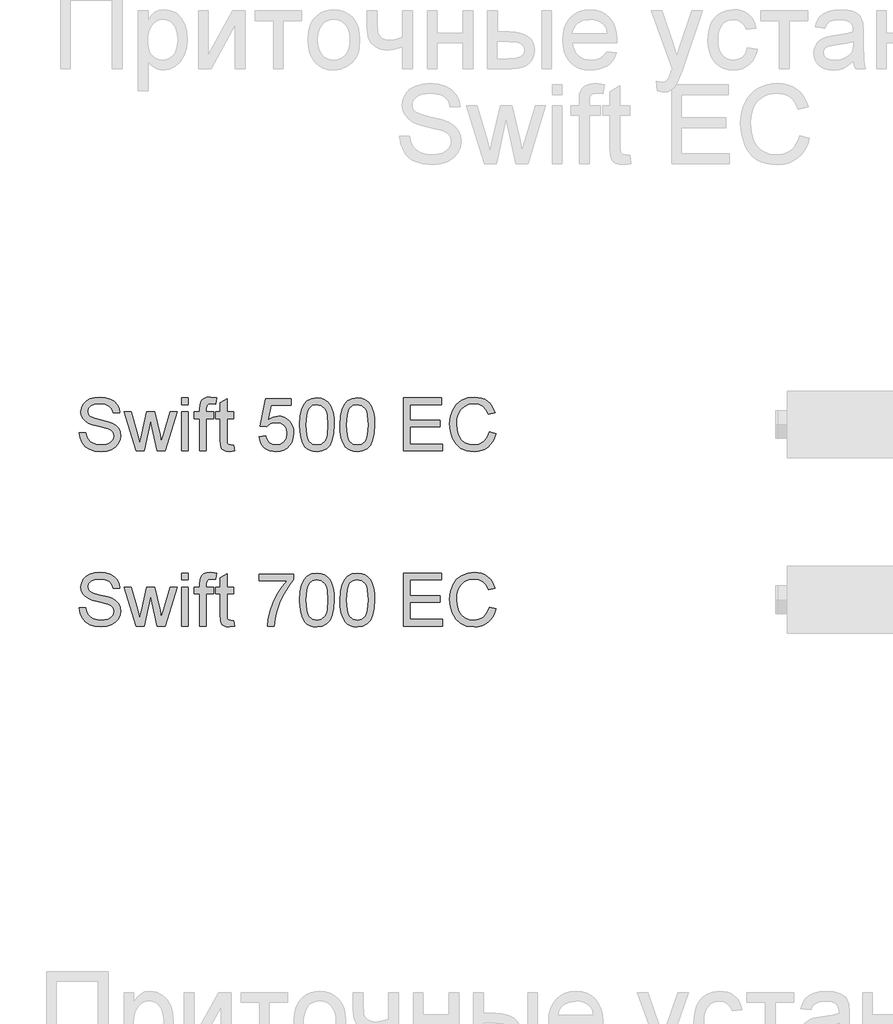
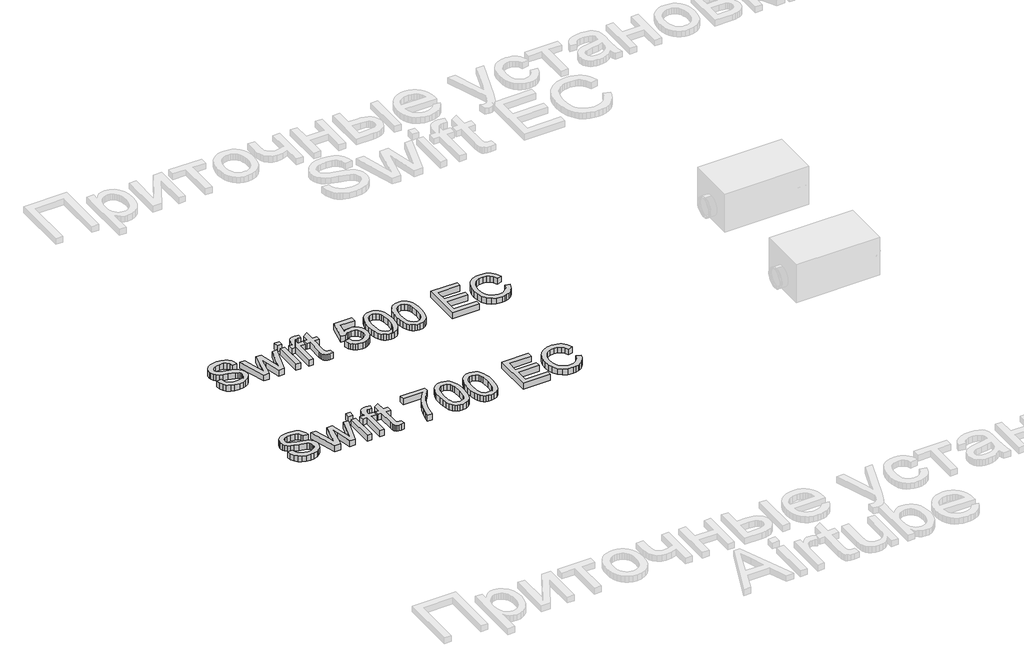
# One storey, part 33 of 74: 2 proxies.
"""IFC4 building model written with IfcOpenShell, lengths in millimetres."""

import ifcopenshell
import ifcopenshell.guid

model = None  # the IFC model being written
_history = None  # IfcOwnerHistory: only IFC2X3 demands one
_inside = {}  # id of a spatial element -> (the spatial element, [elements in it])
_under = {}  # id of a project, library or spatial element -> (it, [spatial elements below it])
_declared = {}  # id of a project -> (the project, [libraries it declares])
_typed = {}  # id of a type object -> (the type object, [elements of that type])
_made_of = {}  # id of a material, layer set ... -> (it, [elements and type objects made of it])


def new_model(schema):
    """Start an empty IFC model of exactly this schema.

    Asked for "IFC4X3", IfcOpenShell would pick the latest addendum, in which some entities
    have other attributes; the version numbers below select the first issue.
    IFC2X3 requires an IfcOwnerHistory on every rooted entity: one is made here for all.
    """
    global model, _history
    if schema == "IFC4X3":
        model = ifcopenshell.file(schema_version=(4, 3, 0, 0))
    else:
        model = ifcopenshell.file(schema=schema)
    _inside.clear()
    _under.clear()
    _declared.clear()
    _typed.clear()
    _made_of.clear()
    _history = None
    if model.schema == "IFC2X3":
        org = make("IfcOrganization", Name="unknown")
        user = make(
            "IfcPersonAndOrganization",
            ThePerson=make("IfcPerson", FamilyName="unknown"),
            TheOrganization=org,
        )
        app = make(
            "IfcApplication",
            ApplicationDeveloper=org,
            Version="unknown",
            ApplicationFullName="unknown",
            ApplicationIdentifier="unknown",
        )
        _history = make(
            "IfcOwnerHistory",
            OwningUser=user,
            OwningApplication=app,
            ChangeAction="ADDED",
            CreationDate=0,
        )
    return model


def make(cls, **values):
    """One entity of the class cls with the attributes given. An attribute that is None is left unset."""
    return model.create_entity(
        cls, **{name: value for name, value in values.items() if value is not None}
    )


def rooted(cls, **values):
    """An entity with a GlobalId (a new one), such as an element, a storey or a relation."""
    return make(cls, GlobalId=ifcopenshell.guid.new(), OwnerHistory=_history, **values)


def si_unit(unit_type, name, prefix=None):
    """IfcSIUnit, for example si_unit("LENGTHUNIT", "METRE", prefix="MILLI")."""
    return make("IfcSIUnit", UnitType=unit_type, Prefix=prefix, Name=name)


def assignment(units):
    """IfcUnitAssignment: the units of a project."""
    return None if units is None else make("IfcUnitAssignment", Units=units)


def point(xyz):
    """IfcCartesianPoint."""
    return None if xyz is None else make("IfcCartesianPoint", Coordinates=xyz)


def direction(xyz):
    """IfcDirection."""
    return None if xyz is None else make("IfcDirection", DirectionRatios=xyz)


def frame(location, z_axis=None, x_axis=None):
    """IfcAxis2Placement3D, a coordinate frame: its origin and axes. An axis left out is left unset."""
    return make(
        "IfcAxis2Placement3D",
        Location=point(location),
        Axis=direction(z_axis),
        RefDirection=direction(x_axis),
    )


def origin():
    """The frame at (0, 0, 0) with its axes left unset."""
    return frame((0.0, 0.0, 0.0))


def origin_with_axes():
    """The frame at (0, 0, 0) with the z axis (0, 0, 1) and the x axis (1, 0, 0) written out."""
    return frame((0.0, 0.0, 0.0), z_axis=(0.0, 0.0, 1.0), x_axis=(1.0, 0.0, 0.0))


def place(relative_to, where):
    """IfcLocalPlacement: puts the frame where relative to a parent placement (None: the world)."""
    return make(
        "IfcLocalPlacement", PlacementRelTo=relative_to, RelativePlacement=where
    )


def context(
    kind, dimensions, precision=None, world=None, true_north=None, identifier=None
):
    """IfcGeometricRepresentationContext, for example the 3D "Model" context."""
    return make(
        "IfcGeometricRepresentationContext",
        ContextIdentifier=identifier,
        ContextType=kind,
        CoordinateSpaceDimension=dimensions,
        Precision=precision,
        WorldCoordinateSystem=world,
        TrueNorth=true_north,
    )


def project(units=None, contexts=None):
    """IfcProject with its units and contexts."""
    return rooted(
        "IfcProject",
        Name="project",
        RepresentationContexts=contexts,
        UnitsInContext=assignment(units),
    )


def spatial(cls, under=None, at=None, **own):
    """A site, building, storey or space (cls), placed at a placement, below another one or the project."""
    s = rooted(cls, ObjectPlacement=at, **own)
    if under is not None:
        _under.setdefault(under.id(), (under, []))[1].append(s)
    return s


def polyline(points):
    """IfcPolyline through the points."""
    return make("IfcPolyline", Points=[point(p) for p in points])


def outline(outer, holes=None, kind="AREA"):
    """IfcArbitraryClosedProfileDef: a profile drawn as a closed curve; with holes, ...WithVoids."""
    if holes is None:
        return make("IfcArbitraryClosedProfileDef", ProfileType=kind, OuterCurve=outer)
    return make(
        "IfcArbitraryProfileDefWithVoids",
        ProfileType=kind,
        OuterCurve=outer,
        InnerCurves=holes,
    )


def extrude(swept, where, along, depth):
    """IfcExtrudedAreaSolid: the profile swept, set in the frame where, extruded along a direction by depth."""
    return make(
        "IfcExtrudedAreaSolid",
        SweptArea=swept,
        Position=where,
        ExtrudedDirection=direction(along),
        Depth=depth,
    )


def shape(context_of_items, identifier, shape_type, items):
    """IfcShapeRepresentation: the items that make up one representation, for example the "Body"."""
    return make(
        "IfcShapeRepresentation",
        ContextOfItems=context_of_items,
        RepresentationIdentifier=identifier,
        RepresentationType=shape_type,
        Items=items,
    )


def made_of(thing, what):
    """Note that an element or type object is made of a material, layer set ...; save() writes the relation."""
    if what is not None:
        _made_of.setdefault(what.id(), (what, []))[1].append(thing)
    return thing


def element(
    cls,
    number,
    at=None,
    inside=None,
    cuts=None,
    type_object=None,
    material=None,
    context=None,
    identifier="Body",
    shape_type=None,
    held_by="IfcProductDefinitionShape",
    body=None,
    shapes=None,
    **own,
):
    """One element of the class cls, such as IfcWall. Its Tag is "e" and its number.

    at: its placement. inside: the storey or other place that contains it. cuts: it is an
    opening in that element (IfcRelVoidsElement). A single representation is given by context,
    identifier, shape_type and body (its items); several are given by shapes. held_by: the class
    of the entity that holds the representations. save() writes the other relations.
    """
    e = rooted(cls, Tag="e%d" % number, ObjectPlacement=at, **own)
    if body is not None:
        shapes = [shape(context, identifier, shape_type, body)]
    if shapes is not None:
        e.Representation = make(held_by, Representations=shapes)
    if inside is not None:
        _inside.setdefault(inside.id(), (inside, []))[1].append(e)
    if cuts is not None:
        rooted(
            "IfcRelVoidsElement", RelatingBuildingElement=cuts, RelatedOpeningElement=e
        )
    if type_object is not None:
        _typed.setdefault(type_object.id(), (type_object, []))[1].append(e)
    return made_of(e, material)


def aggregate(whole, parts):
    """IfcRelAggregates: a whole, such as a stair, and the parts it consists of."""
    return rooted("IfcRelAggregates", RelatingObject=whole, RelatedObjects=parts)


def save(model, path):
    """Write the relations noted so far, then the file.

    IfcRelAggregates (storeys below a building ...), IfcRelContainedInSpatialStructure (elements
    in a storey), IfcRelDefinesByType, IfcRelAssociatesMaterial and IfcRelDeclares: one each for
    every whole, place, type object, material and project.
    """
    for whole, parts in _under.values():
        aggregate(whole, parts)
    for where, things in _inside.values():
        rooted(
            "IfcRelContainedInSpatialStructure",
            RelatedElements=things,
            RelatingStructure=where,
        )
    for kind, things in _typed.values():
        rooted("IfcRelDefinesByType", RelatedObjects=things, RelatingType=kind)
    for what, things in _made_of.values():
        rooted("IfcRelAssociatesMaterial", RelatedObjects=things, RelatingMaterial=what)
    for by, libraries in _declared.values():
        rooted("IfcRelDeclares", RelatingContext=by, RelatedDefinitions=libraries)
    model.write(path)


model = new_model("IFC4")

# Units and contexts
model_context = context("Model", 3, world=origin())
ifc_project = project(units=[si_unit("LENGTHUNIT", "METRE", prefix="MILLI")], contexts=[model_context])

# Site, building, storey
site = spatial("IfcSite", under=ifc_project)
building = spatial("IfcBuilding", under=site)
storey = spatial("IfcBuildingStorey", under=building, Elevation=0.0)

# Proxies
placement = place(None, origin())
element("IfcBuildingElementProxy", 1, Name="Generic Models", at=placement, inside=storey, context=model_context, shape_type="SweptSolid", body=[
    extrude(outline(polyline([(219.0140567, -3802.6948775), (256.685173, -3802.6948775), (261.0077865, -3823.5997719), (268.8252789, -3840.402782), (281.020567, -3853.7385043), (298.4765677, -3864.2415353), (319.8137234, -3871.0565493), (343.6524767, -3873.3282206), (364.6401445, -3871.6083722), (383.0158502, -3866.4488273), (397.9058739, -3858.281847), (408.436496, -3847.5396927), (414.699687, -3835.2064488), (416.7874173, -3822.2661996), (415.2239189, -3809.6570443), (410.5334234, -3798.7585402), (401.0052797, -3789.4603227), (384.9288366, -3781.6520274), (330.0776311, -3767.2678414), (294.0711808, -3757.7488947), (271.0325708, -3748.6898006), (252.2797861, -3736.0162659), (238.9900491, -3720.6571926), (231.0713891, -3702.9436745), (228.4318358, -3683.2068055), (231.6967885, -3661.1430828), (241.4916466, -3640.5692822), (257.5588928, -3623.1316757), (279.6410095, -3610.476535), (306.1469073, -3602.7786043), (335.4854964, -3600.2126274), (367.2705008, -3602.8981659), (395.0823796, -3610.9547816), (417.9278515, -3624.2169275), (434.8136351, -3642.5190568), (445.5006071, -3664.7207352), (449.7496441, -3689.6815286), (412.0785278, -3689.6815286), (405.1623463, -3667.2039387), (390.7413721, -3650.9803427), (368.2085999, -3641.1578934), (336.9570244, -3637.8837437), (304.9696849, -3641.1211052), (283.0255239, -3650.8331899), (270.3335951, -3665.1254054), (266.1029521, -3682.1031595), (269.1011904, -3696.579316), (278.0959052, -3708.2227811), (299.3594845, -3718.6338416), (339.6057747, -3729.2656313), (381.139652, -3739.363992), (406.2659923, -3748.1747658), (427.7411037, -3761.8415819), (442.723098, -3778.7089714), (451.5246747, -3798.5929933), (454.4585336, -3821.3097065), (451.0832163, -3844.5322574), (440.9572644, -3866.3752509), (424.4945451, -3885.1740208), (402.1089257, -3899.2639012), (375.1891607, -3908.065478), (345.1240047, -3910.9993369), (308.2162435, -3907.8355517), (277.8383878, -3898.3441962), (253.6409495, -3882.4884823), (235.2744409, -3860.2316215), (223.483823, -3833.1187185), (219.0140567, -3802.6948775)])), origin_with_axes(), (0.0, 0.0, 1.0), 50.0),
    extrude(outline(polyline([(542.9709417, -3906.2904473), (475.6485366, -3684.972639), (514.7911808, -3684.972639), (552.9773319, -3814.0992193), (564.3816738, -3860.2316215), (573.7258765, -3815.7914765), (604.1129293, -3684.972639), (648.9945327, -3684.972639), (679.2344327, -3815.4235945), (687.5485658, -3855.6698848), (699.4679424, -3813.2163026), (737.7276699, -3684.972639), (777.017467, -3684.972639), (709.1800271, -3906.2904473), (663.6362361, -3906.2904473), (634.7207113, -3776.5016794), (626.3330018, -3736.03466), (589.0297675, -3906.2904473), (542.9709417, -3906.2904473)])), origin_with_axes(), (0.0, 0.0, 1.0), 50.0),
    extrude(outline(polyline([(802.9163595, -3642.5926332), (802.9163595, -3604.9215169), (840.5874758, -3604.9215169), (840.5874758, -3642.5926332), (802.9163595, -3642.5926332)])), origin_with_axes(), (0.0, 0.0, 1.0), 50.0),
    extrude(outline(polyline([(802.9163595, -3906.2904473), (802.9163595, -3684.972639), (840.5874758, -3684.972639), (840.5874758, -3906.2904473), (802.9163595, -3906.2904473)])), origin_with_axes(), (0.0, 0.0, 1.0), 50.0),
    extrude(outline(polyline([(906.5119293, -3906.2904473), (906.5119293, -3722.6437553), (873.5497025, -3722.6437553), (873.5497025, -3684.972639), (906.5119293, -3684.972639), (906.5119293, -3662.6789901), (910.4850549, -3631.2618677), (918.063424, -3618.7354858), (929.7620714, -3608.821066), (946.1328202, -3602.364737), (967.7274933, -3600.2126274), (1002.0876717, -3604.3329057), (996.5694417, -3639.6495772), (974.864404, -3637.8837437), (960.5445974, -3639.4472421), (951.1360153, -3644.1377376), (945.921288, -3653.0956642), (944.1830456, -3667.4614561), (944.1830456, -3684.972639), (986.5630515, -3684.972639), (986.5630515, -3722.6437553), (944.1830456, -3722.6437553), (944.1830456, -3906.2904473), (906.5119293, -3906.2904473)])), origin_with_axes(), (0.0, 0.0, 1.0), 50.0),
    extrude(outline(polyline([(1099.5764004, -3874.873325), (1104.2852899, -3907.3940933), (1076.1055291, -3910.9993369), (1058.024129, -3909.4358384), (1044.5412539, -3904.745343), (1035.0131102, -3897.5164618), (1028.7959045, -3888.337806), (1025.374602, -3872.5740625), (1024.2341678, -3845.5899181), (1024.2341678, -3722.6437553), (995.9808305, -3722.6437553), (995.9808305, -3684.972639), (1024.2341678, -3684.972639), (1024.2341678, -3631.1882913), (1061.9052841, -3609.0417952), (1061.9052841, -3684.972639), (1099.5764004, -3684.972639), (1099.5764004, -3722.6437553), (1061.9052841, -3722.6437553), (1061.9052841, -3844.4862722), (1063.8918468, -3863.9104415), (1070.3297818, -3870.7898348), (1083.1688634, -3873.3282206), (1099.5764004, -3874.873325)])), origin_with_axes(), (0.0, 0.0, 1.0), 50.0),
    extrude(outline(polyline([(1245.5519761, -3826.2393252), (1283.2230924, -3821.5304357), (1290.1392739, -3844.1459813), (1302.2058033, -3860.3419861), (1319.3674984, -3870.081662), (1341.5691768, -3873.3282206), (1368.5717153, -3868.8124691), (1388.805225, -3855.2652146), (1401.4419715, -3834.2499556), (1405.6542204, -3807.3301906), (1401.708686, -3781.9831212), (1389.8720828, -3762.59574), (1370.0524403, -3750.2900873), (1342.157788, -3746.188203), (1323.8832499, -3747.8252779), (1309.0851966, -3752.7365026), (1287.9319819, -3769.7326507), (1250.2608656, -3765.0237612), (1283.2230924, -3609.6304064), (1429.1986681, -3609.6304064), (1429.1986681, -3647.3015227), (1313.6837216, -3647.3015227), (1297.5704902, -3730.2957008), (1324.4810581, -3713.9617403), (1352.6792131, -3708.5170867), (1371.0250283, -3710.2047454), (1387.876323, -3715.2677213), (1403.233097, -3723.7060146), (1417.0953504, -3735.5196252), (1428.5709694, -3749.9865846), (1436.7678401, -3766.3849246), (1441.6859625, -3784.714645), (1443.3253367, -3804.9757459), (1437.4208307, -3842.6468622), (1430.0401981, -3859.4406753), (1419.7073126, -3874.873325), (1404.0539337, -3890.6784552), (1385.7885926, -3901.9678339), (1364.9112894, -3908.7414611), (1341.422024, -3910.9993369), (1304.4222923, -3905.1959984), (1288.7436216, -3897.9418253), (1274.9457475, -3887.785983), (1263.46553, -3875.2343092), (1254.7398289, -3860.7926416), (1245.5519761, -3826.2393252)])), origin_with_axes(), (0.0, 0.0, 1.0), 50.0),
    extrude(outline(polyline([(1476.2875634, -3758.0340033), (1479.0558755, -3709.7954767), (1487.3608115, -3671.324217), (1501.1195981, -3642.0316132), (1520.2494619, -3621.3290539), (1544.8883585, -3609.0234011), (1575.1742437, -3604.9215169), (1598.3875976, -3607.3495381), (1619.1729304, -3614.6336016), (1636.5553546, -3626.4885989), (1649.5599832, -3642.6294214), (1659.3824324, -3662.9181134), (1667.2183189, -3687.2167192), (1672.3502728, -3718.0728216), (1674.060924, -3758.0340033), (1671.3202032, -3805.9966184), (1663.0980406, -3844.3759076), (1649.4220274, -3873.6961026), (1630.3197548, -3894.4814353), (1605.6256759, -3906.8698615), (1575.1742437, -3910.9993369), (1554.4256992, -3909.2059122), (1536.0315995, -3903.825638), (1519.9919445, -3894.8585143), (1506.3067342, -3882.3045413), (1493.173347, -3859.6108207), (1483.7923561, -3831.3344908), (1478.1637616, -3797.4755517), (1476.2875634, -3758.0340033)]), holes=[polyline([(1513.9586797, -3757.9604269), (1518.3732637, -3817.2170193), (1523.8914936, -3837.4850179), (1531.6170155, -3851.5128183), (1551.3354905, -3867.87437), (1575.1742437, -3873.3282206), (1599.012997, -3867.8559759), (1618.731472, -3851.4392419), (1626.4569939, -3837.3884489), (1631.9752238, -3817.1250488), (1636.3898077, -3757.9604269), (1632.1223766, -3700.0374067), (1626.7880877, -3679.8360867), (1619.3200832, -3665.4748933), (1599.6383964, -3648.3131982), (1574.7327854, -3642.5926332), (1551.1515495, -3647.6326165), (1532.2056267, -3662.7525665), (1524.2225874, -3678.3875513), (1518.5204165, -3699.4671897), (1513.9586797, -3757.9604269)])]), origin_with_axes(), (0.0, 0.0, 1.0), 50.0),
    extrude(outline(polyline([(1707.0231508, -3758.0340033), (1709.7914628, -3709.7954767), (1718.0963989, -3671.324217), (1731.8551855, -3642.0316132), (1750.9850492, -3621.3290539), (1775.6239459, -3609.0234011), (1805.9098311, -3604.9215169), (1829.123185, -3607.3495381), (1849.9085177, -3614.6336016), (1867.290942, -3626.4885989), (1880.2955705, -3642.6294214), (1890.1180198, -3662.9181134), (1897.9539063, -3687.2167192), (1903.0858601, -3718.0728216), (1904.7965114, -3758.0340033), (1902.0557906, -3805.9966184), (1893.833628, -3844.3759076), (1880.1576148, -3873.6961026), (1861.0553422, -3894.4814353), (1836.3612633, -3906.8698615), (1805.9098311, -3910.9993369), (1785.1612866, -3909.2059122), (1766.7671868, -3903.825638), (1750.7275318, -3894.8585143), (1737.0423216, -3882.3045413), (1723.9089344, -3859.6108207), (1714.5279435, -3831.3344908), (1708.899349, -3797.4755517), (1707.0231508, -3758.0340033)]), holes=[polyline([(1744.6942671, -3757.9604269), (1749.1088511, -3817.2170193), (1754.627081, -3837.4850179), (1762.3526029, -3851.5128183), (1782.0710778, -3867.87437), (1805.9098311, -3873.3282206), (1829.7485844, -3867.8559759), (1849.4670593, -3851.4392419), (1857.1925812, -3837.3884489), (1862.7108112, -3817.1250488), (1867.1253951, -3757.9604269), (1862.857964, -3700.0374067), (1857.523675, -3679.8360867), (1850.0556705, -3665.4748933), (1830.3739838, -3648.3131982), (1805.4683727, -3642.5926332), (1781.8871368, -3647.6326165), (1762.9412141, -3662.7525665), (1754.9581748, -3678.3875513), (1749.2560039, -3699.4671897), (1744.6942671, -3757.9604269)])]), origin_with_axes(), (0.0, 0.0, 1.0), 50.0),
    extrude(outline(polyline([(2069.6076453, -3906.2904473), (2069.6076453, -3604.9215169), (2286.216564, -3604.9215169), (2286.216564, -3642.5926332), (2107.2787616, -3642.5926332), (2107.2787616, -3732.0615344), (2276.7987849, -3732.0615344), (2276.7987849, -3769.7326507), (2107.2787616, -3769.7326507), (2107.2787616, -3868.619331), (2290.9254536, -3868.619331), (2290.9254536, -3906.2904473), (2069.6076453, -3906.2904473)])), origin_with_axes(), (0.0, 0.0, 1.0), 50.0),
    extrude(outline(polyline([(2559.3321572, -3799.1632103), (2597.0032735, -3808.875295), (2589.5490646, -3832.3024803), (2579.6208493, -3852.7728141), (2567.2186275, -3870.2862963), (2552.3423993, -3884.842927), (2535.3278571, -3896.2863563), (2516.510693, -3904.4602344), (2495.8909072, -3909.3645613), (2473.4684996, -3910.9993369), (2429.7733156, -3906.051324), (2395.0728464, -3891.2072855), (2368.4749781, -3866.9822562), (2349.087597, -3833.8912707), (2337.2509938, -3794.9877497), (2333.3054594, -3753.3251137), (2337.7660286, -3709.3816094), (2351.1477362, -3671.4345816), (2372.7516063, -3640.6888439), (2401.8786633, -3618.3492097), (2436.4227827, -3604.7467729), (2474.27784, -3600.2126274), (2515.581791, -3606.0803452), (2533.5505272, -3613.4149925), (2549.7304372, -3623.6834986), (2563.8548065, -3636.6145508), (2575.6569208, -3651.9368359), (2592.294384, -3689.755105), (2554.6232677, -3698.7314257), (2541.5634569, -3671.2598377), (2523.7211801, -3652.4150825), (2500.8757082, -3641.5165784), (2472.806312, -3637.8837437), (2440.4510905, -3641.9120515), (2413.8716163, -3653.996975), (2393.702486, -3672.8693214), (2380.5782958, -3697.2598977), (2373.3770057, -3724.8326532), (2370.9765757, -3753.2515373), (2373.8184641, -3788.0531741), (2382.3441294, -3818.1459213), (2396.8754682, -3842.3801477), (2417.7343773, -3859.6062222), (2442.7411559, -3869.897721), (2469.7161032, -3873.3282206), (2501.1608168, -3868.6561192), (2527.3632119, -3854.6398152), (2547.1460662, -3831.4264613), (2559.3321572, -3799.1632103)])), origin_with_axes(), (0.0, 0.0, 1.0), 50.0),
])
element("IfcBuildingElementProxy", 2, Name="Generic Models", at=placement, inside=storey, context=model_context, shape_type="SweptSolid", body=[
    extrude(outline(polyline([(219.0140567, -4802.6948775), (256.685173, -4802.6948775), (261.0077865, -4823.5997719), (268.8252789, -4840.402782), (281.020567, -4853.7385043), (298.4765677, -4864.2415353), (319.8137234, -4871.0565493), (343.6524767, -4873.3282206), (364.6401445, -4871.6083722), (383.0158502, -4866.4488273), (397.9058739, -4858.281847), (408.436496, -4847.5396927), (414.699687, -4835.2064488), (416.7874173, -4822.2661996), (415.2239189, -4809.6570443), (410.5334234, -4798.7585402), (401.0052797, -4789.4603227), (384.9288366, -4781.6520274), (330.0776311, -4767.2678414), (294.0711808, -4757.7488947), (271.0325708, -4748.6898006), (252.2797861, -4736.0162659), (238.9900491, -4720.6571926), (231.0713891, -4702.9436745), (228.4318358, -4683.2068055), (231.6967885, -4661.1430828), (241.4916466, -4640.5692822), (257.5588928, -4623.1316757), (279.6410095, -4610.476535), (306.1469073, -4602.7786043), (335.4854964, -4600.2126274), (367.2705008, -4602.8981659), (395.0823796, -4610.9547816), (417.9278515, -4624.2169275), (434.8136351, -4642.5190568), (445.5006071, -4664.7207352), (449.7496441, -4689.6815286), (412.0785278, -4689.6815286), (405.1623463, -4667.2039387), (390.7413721, -4650.9803427), (368.2085999, -4641.1578934), (336.9570244, -4637.8837437), (304.9696849, -4641.1211052), (283.0255239, -4650.8331899), (270.3335951, -4665.1254054), (266.1029521, -4682.1031595), (269.1011904, -4696.579316), (278.0959052, -4708.2227811), (299.3594845, -4718.6338416), (339.6057747, -4729.2656313), (381.139652, -4739.363992), (406.2659923, -4748.1747658), (427.7411037, -4761.8415819), (442.723098, -4778.7089714), (451.5246747, -4798.5929933), (454.4585336, -4821.3097065), (451.0832163, -4844.5322574), (440.9572644, -4866.3752509), (424.4945451, -4885.1740208), (402.1089257, -4899.2639012), (375.1891607, -4908.065478), (345.1240047, -4910.9993369), (308.2162435, -4907.8355517), (277.8383878, -4898.3441962), (253.6409495, -4882.4884823), (235.2744409, -4860.2316215), (223.483823, -4833.1187185), (219.0140567, -4802.6948775)])), origin_with_axes(), (0.0, 0.0, 1.0), 50.0),
    extrude(outline(polyline([(542.9709417, -4906.2904473), (475.6485366, -4684.972639), (514.7911808, -4684.972639), (552.9773319, -4814.0992193), (564.3816738, -4860.2316215), (573.7258765, -4815.7914765), (604.1129293, -4684.972639), (648.9945327, -4684.972639), (679.2344327, -4815.4235945), (687.5485658, -4855.6698848), (699.4679424, -4813.2163026), (737.7276699, -4684.972639), (777.017467, -4684.972639), (709.1800271, -4906.2904473), (663.6362361, -4906.2904473), (634.7207113, -4776.5016794), (626.3330018, -4736.03466), (589.0297675, -4906.2904473), (542.9709417, -4906.2904473)])), origin_with_axes(), (0.0, 0.0, 1.0), 50.0),
    extrude(outline(polyline([(802.9163595, -4642.5926332), (802.9163595, -4604.9215169), (840.5874758, -4604.9215169), (840.5874758, -4642.5926332), (802.9163595, -4642.5926332)])), origin_with_axes(), (0.0, 0.0, 1.0), 50.0),
    extrude(outline(polyline([(802.9163595, -4906.2904473), (802.9163595, -4684.972639), (840.5874758, -4684.972639), (840.5874758, -4906.2904473), (802.9163595, -4906.2904473)])), origin_with_axes(), (0.0, 0.0, 1.0), 50.0),
    extrude(outline(polyline([(906.5119293, -4906.2904473), (906.5119293, -4722.6437553), (873.5497025, -4722.6437553), (873.5497025, -4684.972639), (906.5119293, -4684.972639), (906.5119293, -4662.6789901), (910.4850549, -4631.2618677), (918.063424, -4618.7354858), (929.7620714, -4608.821066), (946.1328202, -4602.364737), (967.7274933, -4600.2126274), (1002.0876717, -4604.3329057), (996.5694417, -4639.6495772), (974.864404, -4637.8837437), (960.5445974, -4639.4472421), (951.1360153, -4644.1377376), (945.921288, -4653.0956642), (944.1830456, -4667.4614561), (944.1830456, -4684.972639), (986.5630515, -4684.972639), (986.5630515, -4722.6437553), (944.1830456, -4722.6437553), (944.1830456, -4906.2904473), (906.5119293, -4906.2904473)])), origin_with_axes(), (0.0, 0.0, 1.0), 50.0),
    extrude(outline(polyline([(1099.5764004, -4874.873325), (1104.2852899, -4907.3940933), (1076.1055291, -4910.9993369), (1058.024129, -4909.4358384), (1044.5412539, -4904.745343), (1035.0131102, -4897.5164618), (1028.7959045, -4888.337806), (1025.374602, -4872.5740625), (1024.2341678, -4845.5899181), (1024.2341678, -4722.6437553), (995.9808305, -4722.6437553), (995.9808305, -4684.972639), (1024.2341678, -4684.972639), (1024.2341678, -4631.1882913), (1061.9052841, -4609.0417952), (1061.9052841, -4684.972639), (1099.5764004, -4684.972639), (1099.5764004, -4722.6437553), (1061.9052841, -4722.6437553), (1061.9052841, -4844.4862722), (1063.8918468, -4863.9104415), (1070.3297818, -4870.7898348), (1083.1688634, -4873.3282206), (1099.5764004, -4874.873325)])), origin_with_axes(), (0.0, 0.0, 1.0), 50.0),
    extrude(outline(polyline([(1245.5519761, -4647.3015227), (1245.5519761, -4609.6304064), (1443.3253367, -4609.6304064), (1443.3253367, -4640.0910356), (1415.1363788, -4675.7663921), (1387.2233324, -4721.1354392), (1362.6028299, -4772.0595044), (1344.2915036, -4824.3999152), (1335.3151829, -4863.5609536), (1330.3119878, -4906.2904473), (1292.6408714, -4906.2904473), (1296.7151645, -4867.4605027), (1307.6136687, -4821.3097065), (1325.0420782, -4772.3905981), (1348.7060875, -4725.2557175), (1376.3340254, -4682.6457854), (1405.6542204, -4647.3015227), (1245.5519761, -4647.3015227)])), origin_with_axes(), (0.0, 0.0, 1.0), 50.0),
    extrude(outline(polyline([(1476.2875634, -4758.0340033), (1479.0558755, -4709.7954767), (1487.3608115, -4671.324217), (1501.1195981, -4642.0316132), (1520.2494619, -4621.3290539), (1544.8883585, -4609.0234011), (1575.1742437, -4604.9215169), (1598.3875976, -4607.3495381), (1619.1729304, -4614.6336016), (1636.5553546, -4626.4885989), (1649.5599832, -4642.6294214), (1659.3824324, -4662.9181134), (1667.2183189, -4687.2167192), (1672.3502728, -4718.0728216), (1674.060924, -4758.0340033), (1671.3202032, -4805.9966184), (1663.0980406, -4844.3759076), (1649.4220274, -4873.6961026), (1630.3197548, -4894.4814353), (1605.6256759, -4906.8698615), (1575.1742437, -4910.9993369), (1554.4256992, -4909.2059122), (1536.0315995, -4903.825638), (1519.9919445, -4894.8585143), (1506.3067342, -4882.3045413), (1493.173347, -4859.6108207), (1483.7923561, -4831.3344908), (1478.1637616, -4797.4755517), (1476.2875634, -4758.0340033)]), holes=[polyline([(1513.9586797, -4757.9604269), (1518.3732637, -4817.2170193), (1523.8914936, -4837.4850179), (1531.6170155, -4851.5128183), (1551.3354905, -4867.87437), (1575.1742437, -4873.3282206), (1599.012997, -4867.8559759), (1618.731472, -4851.4392419), (1626.4569939, -4837.3884489), (1631.9752238, -4817.1250488), (1636.3898077, -4757.9604269), (1632.1223766, -4700.0374067), (1626.7880877, -4679.8360867), (1619.3200832, -4665.4748933), (1599.6383964, -4648.3131982), (1574.7327854, -4642.5926332), (1551.1515495, -4647.6326165), (1532.2056267, -4662.7525665), (1524.2225874, -4678.3875513), (1518.5204165, -4699.4671897), (1513.9586797, -4757.9604269)])]), origin_with_axes(), (0.0, 0.0, 1.0), 50.0),
    extrude(outline(polyline([(1707.0231508, -4758.0340033), (1709.7914628, -4709.7954767), (1718.0963989, -4671.324217), (1731.8551855, -4642.0316132), (1750.9850492, -4621.3290539), (1775.6239459, -4609.0234011), (1805.9098311, -4604.9215169), (1829.123185, -4607.3495381), (1849.9085177, -4614.6336016), (1867.290942, -4626.4885989), (1880.2955705, -4642.6294214), (1890.1180198, -4662.9181134), (1897.9539063, -4687.2167192), (1903.0858601, -4718.0728216), (1904.7965114, -4758.0340033), (1902.0557906, -4805.9966184), (1893.833628, -4844.3759076), (1880.1576148, -4873.6961026), (1861.0553422, -4894.4814353), (1836.3612633, -4906.8698615), (1805.9098311, -4910.9993369), (1785.1612866, -4909.2059122), (1766.7671868, -4903.825638), (1750.7275318, -4894.8585143), (1737.0423216, -4882.3045413), (1723.9089344, -4859.6108207), (1714.5279435, -4831.3344908), (1708.899349, -4797.4755517), (1707.0231508, -4758.0340033)]), holes=[polyline([(1744.6942671, -4757.9604269), (1749.1088511, -4817.2170193), (1754.627081, -4837.4850179), (1762.3526029, -4851.5128183), (1782.0710778, -4867.87437), (1805.9098311, -4873.3282206), (1829.7485844, -4867.8559759), (1849.4670593, -4851.4392419), (1857.1925812, -4837.3884489), (1862.7108112, -4817.1250488), (1867.1253951, -4757.9604269), (1862.857964, -4700.0374067), (1857.523675, -4679.8360867), (1850.0556705, -4665.4748933), (1830.3739838, -4648.3131982), (1805.4683727, -4642.5926332), (1781.8871368, -4647.6326165), (1762.9412141, -4662.7525665), (1754.9581748, -4678.3875513), (1749.2560039, -4699.4671897), (1744.6942671, -4757.9604269)])]), origin_with_axes(), (0.0, 0.0, 1.0), 50.0),
    extrude(outline(polyline([(2069.6076453, -4906.2904473), (2069.6076453, -4604.9215169), (2286.216564, -4604.9215169), (2286.216564, -4642.5926332), (2107.2787616, -4642.5926332), (2107.2787616, -4732.0615344), (2276.7987849, -4732.0615344), (2276.7987849, -4769.7326507), (2107.2787616, -4769.7326507), (2107.2787616, -4868.619331), (2290.9254536, -4868.619331), (2290.9254536, -4906.2904473), (2069.6076453, -4906.2904473)])), origin_with_axes(), (0.0, 0.0, 1.0), 50.0),
    extrude(outline(polyline([(2559.3321572, -4799.1632103), (2597.0032735, -4808.875295), (2589.5490646, -4832.3024803), (2579.6208493, -4852.7728141), (2567.2186275, -4870.2862963), (2552.3423993, -4884.842927), (2535.3278571, -4896.2863563), (2516.510693, -4904.4602344), (2495.8909072, -4909.3645613), (2473.4684996, -4910.9993369), (2429.7733156, -4906.051324), (2395.0728464, -4891.2072855), (2368.4749781, -4866.9822562), (2349.087597, -4833.8912707), (2337.2509938, -4794.9877497), (2333.3054594, -4753.3251137), (2337.7660286, -4709.3816094), (2351.1477362, -4671.4345816), (2372.7516063, -4640.6888439), (2401.8786633, -4618.3492097), (2436.4227827, -4604.7467729), (2474.27784, -4600.2126274), (2515.581791, -4606.0803452), (2533.5505272, -4613.4149925), (2549.7304372, -4623.6834986), (2563.8548065, -4636.6145508), (2575.6569208, -4651.9368359), (2592.294384, -4689.755105), (2554.6232677, -4698.7314257), (2541.5634569, -4671.2598377), (2523.7211801, -4652.4150825), (2500.8757082, -4641.5165784), (2472.806312, -4637.8837437), (2440.4510905, -4641.9120515), (2413.8716163, -4653.996975), (2393.702486, -4672.8693214), (2380.5782958, -4697.2598977), (2373.3770057, -4724.8326532), (2370.9765757, -4753.2515373), (2373.8184641, -4788.0531741), (2382.3441294, -4818.1459213), (2396.8754682, -4842.3801477), (2417.7343773, -4859.6062222), (2442.7411559, -4869.897721), (2469.7161032, -4873.3282206), (2501.1608168, -4868.6561192), (2527.3632119, -4854.6398152), (2547.1460662, -4831.4264613), (2559.3321572, -4799.1632103)])), origin_with_axes(), (0.0, 0.0, 1.0), 50.0),
])

save(model, "model.ifc")
